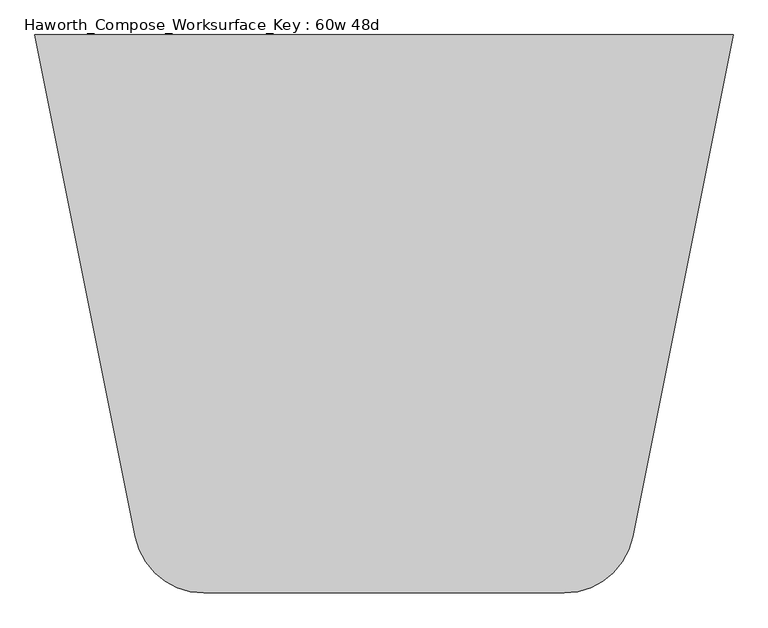
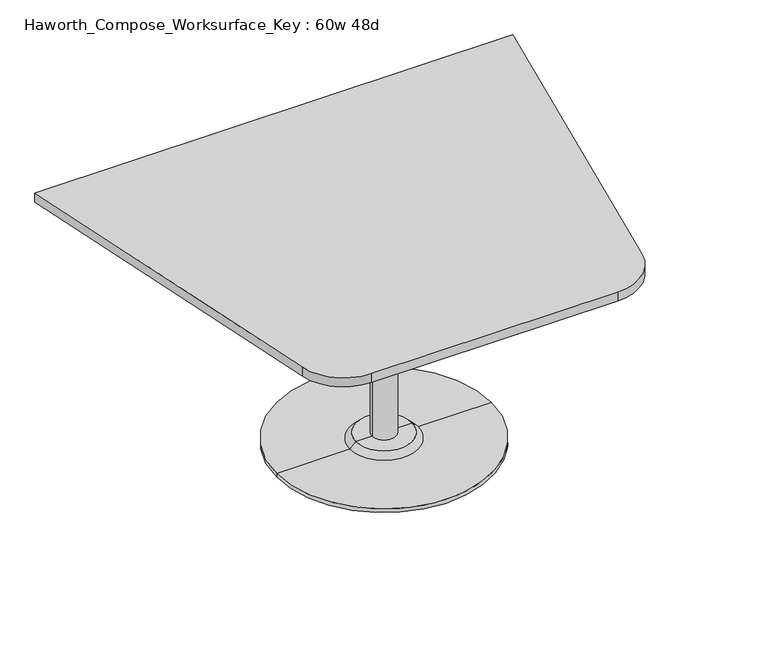
"""IFC4 building model written with IfcOpenShell, lengths in millimetres: furniture geometry, Haworth_Compose_Worksurface_Key : 60w 48d."""

from ifc_helpers import new_model, si_unit, point, frame, frame_2d, origin, place, context, project, spatial, polyline, circle_curve, trimmed, segment, composite_curve, outline, extrude, source, transform, mapped, element, save
from ifc_brep_helpers import plane_surface, cylinder_surface, revolved_surface, advanced_brep


def haworth_compose_worksurface_key_60w_48d_ac290f3c(model_context):
    return source(origin(), model_context, "Body", "SolidModel", [
        advanced_brep(
        [(38.1, 139.7, 706.4375), (-38.1, 139.7, 706.4375), (0.0, 139.7, 706.4375), (38.1, 139.7, 31.75), (-38.1, 139.7, 31.75), (89.723978, 139.7, 31.75), (-89.723978, 139.7, 31.75), (342.9, 139.7, 0.0), (-342.9, 139.7, 0.0), (-342.9, 139.7, 12.7), (342.9, 139.7, 12.7), (0.0, 139.7, 0.0), (108.773978, 139.7, 12.7), (-108.773978, 139.7, 12.7)],
        [
            (0, 1, circle_curve(frame((0.0, 139.7, 706.4375), z_axis=(0.0, 0.0, 1.0), x_axis=(-1.0, 0.0, 0.0)), 38.1)),
            (1, 2),
            (2, 0),
            (1, 0, circle_curve(frame((0.0, 139.7, 706.4375), z_axis=(0.0, 0.0, 1.0), x_axis=(-1.0, 0.0, 0.0)), 38.1)),
            (3, 4, circle_curve(frame((0.0, 139.7, 31.75), z_axis=(0.0, 0.0, 1.0), x_axis=(-1.0, 0.0, 0.0)), 38.1)),
            (4, 1),
            (0, 3),
            (4, 3, circle_curve(frame((0.0, 139.7, 31.75), z_axis=(0.0, 0.0, 1.0), x_axis=(-1.0, 0.0, 0.0)), 38.1)),
            (5, 6, circle_curve(frame((0.0, 139.7, 31.75), z_axis=(0.0, 0.0, 1.0), x_axis=(-1.0, 0.0, 0.0)), 89.723978)),
            (6, 4),
            (3, 5),
            (6, 5, circle_curve(frame((0.0, 139.7, 31.75), z_axis=(0.0, 0.0, 1.0), x_axis=(-1.0, 0.0, 0.0)), 89.723978)),
            (7, 8, circle_curve(frame((0.0, 139.7, 0.0), z_axis=(0.0, 0.0, 1.0), x_axis=(-1.0, 0.0, 0.0)), 342.9)),
            (8, 9),
            (9, 10, circle_curve(frame((0.0, 139.7, 12.7), z_axis=(0.0, 0.0, -1.0), x_axis=(-1.0, 0.0, 0.0)), 342.9)),
            (10, 7),
            (8, 7, circle_curve(frame((0.0, 139.7, 0.0), z_axis=(0.0, 0.0, 1.0), x_axis=(-1.0, 0.0, 0.0)), 342.9)),
            (10, 9, circle_curve(frame((0.0, 139.7, 12.7), z_axis=(0.0, 0.0, -1.0), x_axis=(-1.0, 0.0, 0.0)), 342.9)),
            (11, 8),
            (7, 11),
            (12, 13, circle_curve(frame((0.0, 139.7, 12.7), z_axis=(0.0, 0.0, 1.0), x_axis=(-1.0, 0.0, 0.0)), 108.773978)),
            (13, 6),
            (5, 12),
            (13, 12, circle_curve(frame((0.0, 139.7, 12.7), z_axis=(0.0, 0.0, 1.0), x_axis=(-1.0, 0.0, 0.0)), 108.773978)),
            (9, 13),
            (12, 10),
        ],
        [
            plane_surface(frame((0.0, 139.7, 706.4375), z_axis=(0.0, 0.0, 1.0), x_axis=(-1.0, 0.0, 0.0))),
            cylinder_surface(frame((0.0, 139.7, 889.623257), z_axis=(0.0, 0.0, -1.0), x_axis=(-1.0, 0.0, 0.0)), 38.1),
            plane_surface(frame((0.0, 139.7, 31.75), z_axis=(0.0, 0.0, 1.0), x_axis=(-1.0, 0.0, 0.0))),
            cylinder_surface(frame((0.0, 139.7, 889.623257), z_axis=(0.0, 0.0, -1.0), x_axis=(-1.0, 0.0, 0.0)), 342.9),
            plane_surface(frame((0.0, 139.7, 0.0), z_axis=(0.0, 0.0, -1.0), x_axis=(-1.0, 0.0, 0.0))),
            revolved_surface(polyline([(-89.723978, 139.7, 31.75), (-108.773978, 139.7, 12.7)]), (0.0, 139.7, 889.623257), (0.0, 0.0, -1.0)),
            plane_surface(frame((0.0, 139.7, 12.7), z_axis=(0.0, 0.0, 1.0), x_axis=(-1.0, 0.0, 0.0))),
        ],
        [
            (0, [[1, 2, 3]]),
            (0, [[4, -3, -2]]),
            (1, [[5, 6, -1, 7]]),
            (1, [[8, -7, -4, -6]]),
            (2, [[9, 10, -5, 11]]),
            (2, [[12, -11, -8, -10]]),
            (3, [[13, 14, 15, 16]]),
            (3, [[17, -16, 18, -14]]),
            (4, [[19, -13, 20]]),
            (4, [[-20, -17, -19]]),
            (5, [[21, 22, -9, 23]]),
            (5, [[24, -23, -12, -22]]),
            (6, [[-15, 25, -21, 26]]),
            (6, [[-18, -26, -24, -25]]),
        ],
    ),
        extrude(outline(composite_curve([segment(polyline([(762.0, 749.3), (542.6623802, -347.388099)]), True, "CONTINUOUS"), segment(trimmed(circle_curve(frame_2d((393.2218852, -317.5)), 152.4), [point((542.6623802, -347.388099))], [point((393.2218852, -469.9))], False, "CARTESIAN"), True, "CONTINUOUS"), segment(polyline([(393.2218852, -469.9), (-393.2218852, -469.9)]), True, "CONTINUOUS"), segment(trimmed(circle_curve(frame_2d((-393.2218852, -317.5)), 152.4), [point((-393.2218852, -469.9))], [point((-542.6623802, -347.388099))], False, "CARTESIAN"), True, "CONTINUOUS"), segment(polyline([(-542.6623802, -347.388099), (-762.0, 749.3), (762.0, 749.3)]), True, "CONTINUOUS")], self_intersect=False)), frame((0.0, 0.0, 706.4375), z_axis=(0.0, 0.0, 1.0), x_axis=(1.0, 0.0, 0.0)), (0.0, 0.0, 1.0), 30.1625),
    ])


if __name__ == "__main__":
    model = new_model("IFC4")
    model_context = context("Model", 3, world=origin())
    ifc_project = project(units=[si_unit("LENGTHUNIT", "METRE", prefix="MILLI")], contexts=[model_context])
    site = spatial("IfcSite", under=ifc_project)
    building = spatial("IfcBuilding", under=site)
    placement = place(None, origin())
    haworth_compose_worksurface_key_60w_48d_shape = haworth_compose_worksurface_key_60w_48d_ac290f3c(model_context)
    element("IfcFurniture", 1, ObjectType="Haworth_Compose_Worksurface_Key : 60w 48d", at=placement, inside=building, context=model_context, shape_type="MappedRepresentation", body=[
        mapped(haworth_compose_worksurface_key_60w_48d_shape, transform((0.0, 0.0, 0.0), x_axis=(1.0, 0.0, 0.0), y_axis=(0.0, 1.0, 0.0), z_axis=(0.0, 0.0, 1.0))),
    ])
    save(model, "model.ifc")
